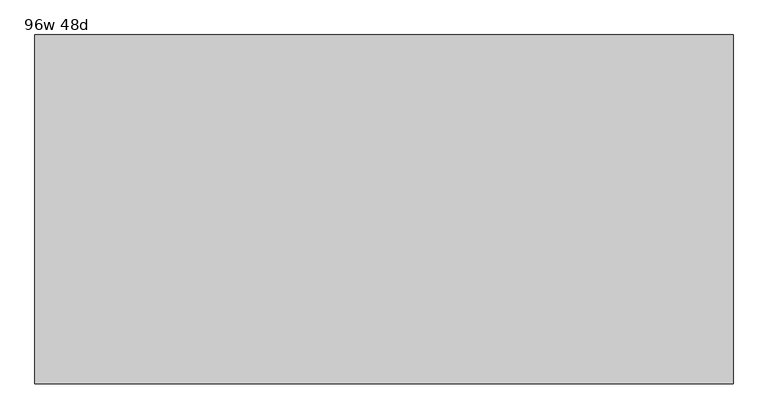
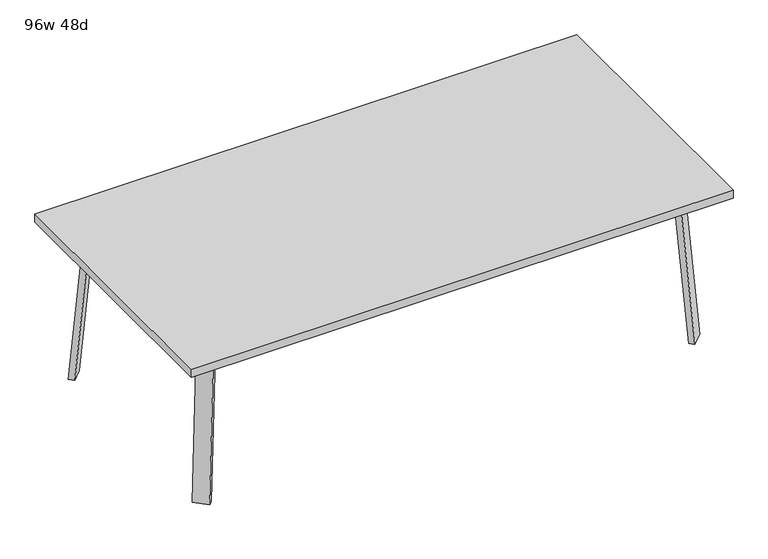
"""IFC4 building model written with IfcOpenShell, lengths in millimetres: furniture geometry, 96w 48d."""

from ifc_helpers import new_model, si_unit, point, frame, frame_2d, origin, place, context, project, spatial, polyline, circle_curve, trimmed, segment, composite_curve, outline, extrude, faceted_brep, source, transform, mapped, element, save


def furniture_96w_48d_2ddfdba3(model_context):
    return source(origin(), model_context, "Body", "SolidModel", [
        faceted_brep([(911.0753042, -426.4920519, 695.325), (950.5884312, -386.978925, 695.325), (1005.7047531, -442.0952469, 695.325), (999.0631053, -448.7368947, 695.325), (938.0160726, -453.4328203, 695.325), (1058.3368947, -389.4631053, 695.325), (1052.4020849, -395.3979151, 695.325), (997.285763, -340.2815931, 695.325), (1036.7988899, -300.7684662, 695.325), (1063.7396583, -327.7092346, 695.325), (911.0753042, -426.4920519, 698.5), (938.0160726, -453.4328203, 698.5), (999.0631053, -448.7368947, 698.5), (1058.3368947, -389.4631053, 698.5), (1063.7396583, -327.7092346, 698.5), (1036.7988899, -300.7684662, 698.5), (1005.7047531, -442.0952469, 673.1), (1052.4020849, -395.3979151, 673.1), (960.8034725, -397.1939663, 673.1), (1007.5008043, -350.4966345, 673.1)], [[[0, 1, 2, 3, 4]], [[5, 6, 7, 8, 9]], [[10, 11, 12, 13, 14, 15]], [[4, 11, 10, 0]], [[3, 12, 11, 4]], [[12, 3, 2, 16, 17, 6, 5, 13]], [[9, 14, 13, 5]], [[8, 15, 14, 9]], [[15, 8, 7, 1, 0, 10]], [[2, 1, 18, 16]], [[7, 6, 17, 19]], [[18, 19, 17, 16]], [[1, 7, 19, 18]]]),
        extrude(outline(composite_curve([segment(polyline([(-698.9257667, 0.0), (-704.4601563, 63.2583633), (-679.156811, 65.4721192), (-677.172355, 42.7896831)]), True, "CONTINUOUS"), segment(trimmed(circle_curve(frame_2d((-658.194846, 44.45)), 19.05), [point((-677.172355, 42.7896831))], [point((-658.194846, 25.4))], True, "CARTESIAN"), True, "CONTINUOUS"), segment(polyline([(-658.194846, 25.4), (0.0201778, 25.4), (2.2423899, 0.0), (-698.9257667, 0.0)]), True, "CONTINUOUS")], self_intersect=False)), frame((1091.9792647, -531.7706733, 2.2338569), z_axis=(0.7071067811865512, 0.707106781186544, 0.0), x_axis=(0.06162841671622733, -0.06162841671621349, -0.9961946980917454)), (0.0, 0.0, 1.0), 69.85),
        faceted_brep([(911.0753042, 426.4920519, 695.325), (938.0160726, 453.4328203, 695.325), (999.0631053, 448.7368947, 695.325), (1005.7047531, 442.0952469, 695.325), (950.5884312, 386.978925, 695.325), (1058.3368947, 389.4631053, 695.325), (1063.7396583, 327.7092346, 695.325), (1036.7988899, 300.7684662, 695.325), (997.285763, 340.2815931, 695.325), (1052.4020849, 395.3979151, 695.325), (911.0753042, 426.4920519, 698.5), (1036.7988899, 300.7684662, 698.5), (1063.7396583, 327.7092346, 698.5), (1058.3368947, 389.4631053, 698.5), (999.0631053, 448.7368947, 698.5), (938.0160726, 453.4328203, 698.5), (1052.4020849, 395.3979151, 673.1), (1005.7047531, 442.0952469, 673.1), (960.8034725, 397.1939663, 673.1), (1007.5008043, 350.4966345, 673.1)], [[[0, 1, 2, 3, 4]], [[5, 6, 7, 8, 9]], [[10, 11, 12, 13, 14, 15]], [[1, 0, 10, 15]], [[2, 1, 15, 14]], [[14, 13, 5, 9, 16, 17, 3, 2]], [[6, 5, 13, 12]], [[7, 6, 12, 11]], [[11, 10, 0, 4, 8, 7]], [[3, 17, 18, 4]], [[8, 19, 16, 9]], [[18, 17, 16, 19]], [[4, 18, 19, 8]]]),
        extrude(outline(composite_curve([segment(polyline([(698.9257667, 0.0), (704.4601563, -63.2583633), (679.156811, -65.4721192), (677.172355, -42.7896831)]), True, "CONTINUOUS"), segment(trimmed(circle_curve(frame_2d((658.194846, -44.45)), 19.05), [point((677.172355, -42.7896831))], [point((658.194846, -25.4))], True, "CARTESIAN"), True, "CONTINUOUS"), segment(polyline([(658.194846, -25.4), (-0.0201778, -25.4), (-2.2423899, 0.0), (698.9257667, 0.0)]), True, "CONTINUOUS")], self_intersect=False)), frame((1141.3706733, 482.3792647, 2.2338569), z_axis=(-0.7071067811865512, 0.707106781186544, 0.0), x_axis=(-0.06162841671622733, -0.06162841671621349, 0.9961946980917454)), (0.0, 0.0, 1.0), 69.85),
        faceted_brep([(-911.0753042, 426.4920519, 695.325), (-950.5884312, 386.978925, 695.325), (-1005.7047531, 442.0952469, 695.325), (-999.0631053, 448.7368947, 695.325), (-938.0160726, 453.4328203, 695.325), (-1058.3368947, 389.4631053, 695.325), (-1052.4020849, 395.3979151, 695.325), (-997.285763, 340.2815931, 695.325), (-1036.7988899, 300.7684662, 695.325), (-1063.7396583, 327.7092346, 695.325), (-911.0753042, 426.4920519, 698.5), (-938.0160726, 453.4328203, 698.5), (-999.0631053, 448.7368947, 698.5), (-1058.3368947, 389.4631053, 698.5), (-1063.7396583, 327.7092346, 698.5), (-1036.7988899, 300.7684662, 698.5), (-1005.7047531, 442.0952469, 673.1), (-1052.4020849, 395.3979151, 673.1), (-960.8034725, 397.1939663, 673.1), (-1007.5008043, 350.4966345, 673.1)], [[[0, 1, 2, 3, 4]], [[5, 6, 7, 8, 9]], [[10, 11, 12, 13, 14, 15]], [[4, 11, 10, 0]], [[3, 12, 11, 4]], [[12, 3, 2, 16, 17, 6, 5, 13]], [[9, 14, 13, 5]], [[8, 15, 14, 9]], [[15, 8, 7, 1, 0, 10]], [[2, 1, 18, 16]], [[7, 6, 17, 19]], [[18, 19, 17, 16]], [[1, 7, 19, 18]]]),
        extrude(outline(composite_curve([segment(polyline([(698.9257667, 0.0), (-2.2423899, 0.0), (-0.0201778, 25.4), (658.194846, 25.4)]), True, "CONTINUOUS"), segment(trimmed(circle_curve(frame_2d((658.194846, 44.45)), 19.05), [point((658.194846, 25.4))], [point((677.172355, 42.7896831))], True, "CARTESIAN"), True, "CONTINUOUS"), segment(polyline([(677.172355, 42.7896831), (679.156811, 65.4721192), (704.4601563, 63.2583633), (698.9257667, 0.0)]), True, "CONTINUOUS")], self_intersect=False)), frame((-1141.3706733, 482.3792647, 2.2338569), z_axis=(0.7071067811865512, 0.707106781186544, 0.0), x_axis=(0.06162841671622733, -0.06162841671621349, 0.9961946980917454)), (0.0, 0.0, 1.0), 69.85),
        faceted_brep([(-911.0753042, -426.4920519, 695.325), (-938.0160726, -453.4328203, 695.325), (-999.0631053, -448.7368947, 695.325), (-1005.7047531, -442.0952469, 695.325), (-950.5884312, -386.978925, 695.325), (-1058.3368947, -389.4631053, 695.325), (-1063.7396583, -327.7092346, 695.325), (-1036.7988899, -300.7684662, 695.325), (-997.285763, -340.2815931, 695.325), (-1052.4020849, -395.3979151, 695.325), (-911.0753042, -426.4920519, 698.5), (-1036.7988899, -300.7684662, 698.5), (-1063.7396583, -327.7092346, 698.5), (-1058.3368947, -389.4631053, 698.5), (-999.0631053, -448.7368947, 698.5), (-938.0160726, -453.4328203, 698.5), (-1052.4020849, -395.3979151, 673.1), (-1005.7047531, -442.0952469, 673.1), (-960.8034725, -397.1939663, 673.1), (-1007.5008043, -350.4966345, 673.1)], [[[0, 1, 2, 3, 4]], [[5, 6, 7, 8, 9]], [[10, 11, 12, 13, 14, 15]], [[1, 0, 10, 15]], [[2, 1, 15, 14]], [[14, 13, 5, 9, 16, 17, 3, 2]], [[6, 5, 13, 12]], [[7, 6, 12, 11]], [[11, 10, 0, 4, 8, 7]], [[3, 17, 18, 4]], [[8, 19, 16, 9]], [[18, 17, 16, 19]], [[4, 18, 19, 8]]]),
        extrude(outline(composite_curve([segment(polyline([(-698.9257667, 0.0), (2.2423899, 0.0), (0.0201778, -25.4), (-658.194846, -25.4)]), True, "CONTINUOUS"), segment(trimmed(circle_curve(frame_2d((-658.194846, -44.45)), 19.05), [point((-658.194846, -25.4))], [point((-677.172355, -42.7896831))], True, "CARTESIAN"), True, "CONTINUOUS"), segment(polyline([(-677.172355, -42.7896831), (-679.156811, -65.4721192), (-704.4601563, -63.2583633), (-698.9257667, 0.0)]), True, "CONTINUOUS")], self_intersect=False)), frame((-1091.9792647, -531.7706733, 2.2338569), z_axis=(-0.7071067811865512, 0.707106781186544, 0.0), x_axis=(-0.06162841671622733, -0.06162841671621349, -0.9961946980917454)), (0.0, 0.0, 1.0), 69.85),
        extrude(outline(polyline([(1219.2, 609.6), (1219.2, -609.6), (-1219.2, -609.6), (-1219.2, 609.6), (1219.2, 609.6)])), frame((0.0, 0.0, 698.5), z_axis=(0.0, 0.0, 1.0), x_axis=(1.0, 0.0, 0.0)), (0.0, 0.0, 1.0), 38.1),
    ])


if __name__ == "__main__":
    model = new_model("IFC4")
    model_context = context("Model", 3, world=origin())
    ifc_project = project(units=[si_unit("LENGTHUNIT", "METRE", prefix="MILLI")], contexts=[model_context])
    site = spatial("IfcSite", under=ifc_project)
    building = spatial("IfcBuilding", under=site)
    placement = place(None, origin())
    furniture_96w_48d_shape = furniture_96w_48d_2ddfdba3(model_context)
    element("IfcFurniture", 1, ObjectType="96w 48d", at=placement, inside=building, context=model_context, shape_type="MappedRepresentation", body=[
        mapped(furniture_96w_48d_shape, transform((0.0, 0.0, 0.0), x_axis=(1.0, 0.0, 0.0), y_axis=(0.0, 1.0, 0.0), z_axis=(0.0, 0.0, 1.0))),
    ])
    save(model, "model.ifc")
